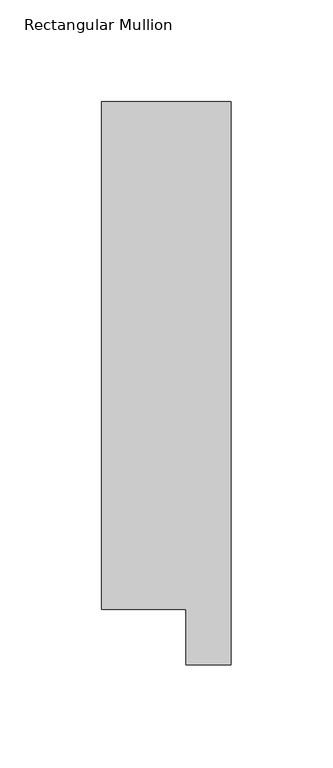
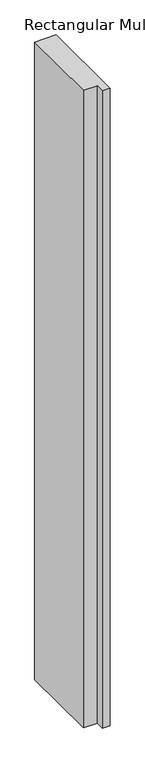
"""IFC4 building model written with IfcOpenShell, lengths in millimetres: member geometry, Rectangular Mullion."""

from ifc_helpers import new_model, si_unit, frame, origin, place, context, project, spatial, polyline, outline, extrude, source, transform, mapped, element, save


def rectangular_mullion_fb30bab4(model_context):
    return source(origin(), model_context, "Body", "SweptSolid", [
        extrude(outline(polyline([(31.75, 295.9695313), (31.75, 19.5667312), (9.5377, 19.5667312), (9.5377, 46.7447302), (-31.75, 46.7447302), (-31.75, 295.9695313), (31.75, 295.9695313)])), frame((0.0, 0.0, -1993.8999967), z_axis=(0.0, 0.0, 1.0), x_axis=(1.0, 0.0, 0.0)), (0.0, 0.0, 1.0), 1993.8999967),
    ])


if __name__ == "__main__":
    model = new_model("IFC4")
    model_context = context("Model", 3, world=origin())
    ifc_project = project(units=[si_unit("LENGTHUNIT", "METRE", prefix="MILLI")], contexts=[model_context])
    site = spatial("IfcSite", under=ifc_project)
    building = spatial("IfcBuilding", under=site)
    placement = place(None, origin())
    rectangular_mullion_shape = rectangular_mullion_fb30bab4(model_context)
    element("IfcMember", 1, ObjectType="Rectangular Mullion", at=placement, inside=building, context=model_context, shape_type="MappedRepresentation", body=[
        mapped(rectangular_mullion_shape, transform((0.0, 0.0, 0.0), x_axis=(1.0, 0.0, 0.0), y_axis=(0.0, 1.0, 0.0), z_axis=(0.0, 0.0, 1.0))),
    ])
    save(model, "model.ifc")
